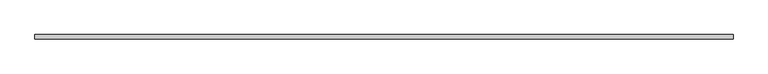
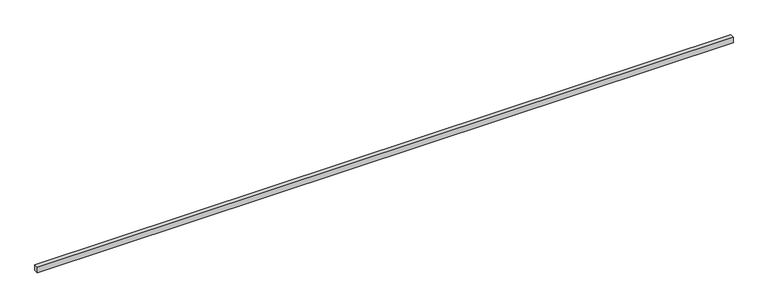
"""IFC4 building model written with IfcOpenShell, lengths in millimetres: proxy geometry."""

from ifc_helpers import new_model, si_unit, origin, origin_with_axes, place, context, project, spatial, polyline, outline, extrude, source, transform, mapped, element, save


def generic_models_80283207(model_context):
    return source(origin(), model_context, "Body", "SweptSolid", [
        extrude(outline(polyline([(12416.6553505, -40.0), (0.0, -40.0), (0.0, 40.0), (12416.6553505, 40.0), (12416.6553505, -40.0)])), origin_with_axes(), (0.0, 0.0, 1.0), 100.0),
    ])


if __name__ == "__main__":
    model = new_model("IFC4")
    model_context = context("Model", 3, world=origin())
    ifc_project = project(units=[si_unit("LENGTHUNIT", "METRE", prefix="MILLI")], contexts=[model_context])
    site = spatial("IfcSite", under=ifc_project)
    building = spatial("IfcBuilding", under=site)
    placement = place(None, origin())
    generic_models_shape = generic_models_80283207(model_context)
    element("IfcBuildingElementProxy", 1, Name="Generic Models", at=placement, inside=building, context=model_context, shape_type="MappedRepresentation", body=[
        mapped(generic_models_shape, transform((0.0, 0.0, 0.0), x_axis=(1.0, 0.0, 0.0), y_axis=(0.0, 1.0, 0.0), z_axis=(0.0, 0.0, 1.0))),
    ])
    save(model, "model.ifc")
